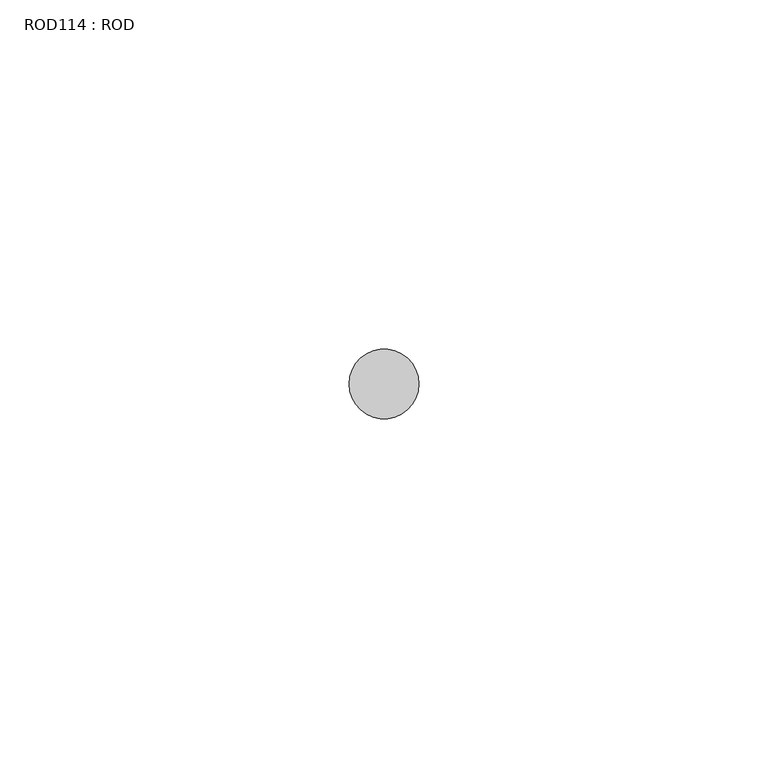
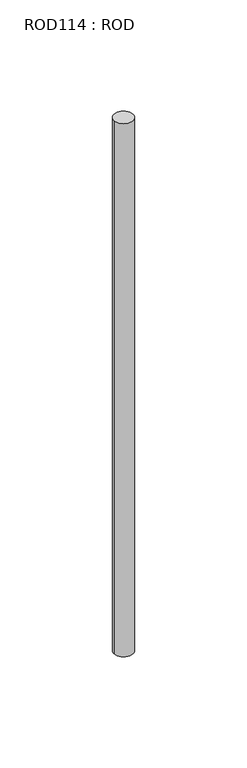
"""IFC4 building model written with IfcOpenShell, lengths in millimetres: proxy geometry, ROD114 : ROD."""

from ifc_helpers import new_model, si_unit, point, frame, frame_2d, origin, place, context, project, spatial, circle_curve, trimmed, segment, composite_curve, outline, extrude, source, transform, mapped, element, save


def rod114_rod_82118bf2(model_context):
    return source(origin(), model_context, "Body", "SweptSolid", [
        extrude(outline(composite_curve([segment(trimmed(circle_curve(frame_2d((7799.7673324, -10268.1048728)), 5.0), [point((7794.7673324, -10268.1048728))], [point((7804.7673324, -10268.1048728))], False, "CARTESIAN"), True, "CONTINUOUS"), segment(trimmed(circle_curve(frame_2d((7799.7673324, -10268.1048728)), 5.0), [point((7804.7673324, -10268.1048728))], [point((7794.7673324, -10268.1048728))], False, "CARTESIAN"), True, "CONTINUOUS")], self_intersect=False)), frame((0.0, 0.0, -108.6608845), z_axis=(0.0, 0.0, 1.0), x_axis=(1.0, 0.0, 0.0)), (0.0, 0.0, 1.0), 298.9028972),
    ])


if __name__ == "__main__":
    model = new_model("IFC4")
    model_context = context("Model", 3, world=origin())
    ifc_project = project(units=[si_unit("LENGTHUNIT", "METRE", prefix="MILLI")], contexts=[model_context])
    site = spatial("IfcSite", under=ifc_project)
    building = spatial("IfcBuilding", under=site)
    placement = place(None, origin())
    rod114_rod_shape = rod114_rod_82118bf2(model_context)
    element("IfcBuildingElementProxy", 1, Name="ROD114 : ROD", ObjectType="ROD114 : ROD", at=placement, inside=building, context=model_context, shape_type="MappedRepresentation", body=[
        mapped(rod114_rod_shape, transform((0.0, 0.0, 0.0), x_axis=(1.0, 0.0, 0.0), y_axis=(0.0, 1.0, 0.0), z_axis=(0.0, 0.0, 1.0))),
    ])
    save(model, "model.ifc")
